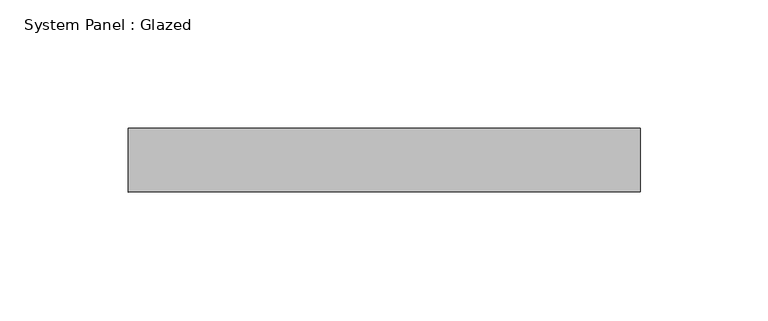
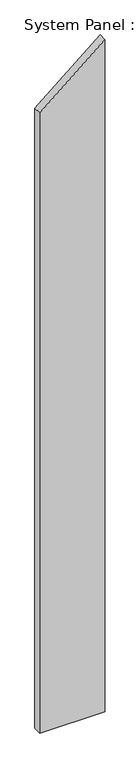
"""IFC4 building model written with IfcOpenShell, lengths in millimetres: plate geometry, System Panel : Glazed."""

from ifc_helpers import new_model, si_unit, frame, origin, place, context, project, spatial, polyline, outline, extrude, source, transform, mapped, element, save


def system_panel_glazed_15bd7ce5(model_context):
    return source(origin(), model_context, "Body", "SweptSolid", [
        extrude(outline(polyline([(0.0, -100.0), (0.0, 100.0), (2181.6590413, 100.0), (2013.8391151, -100.0), (0.0, -100.0)])), frame((0.0, 24.5, 0.0), z_axis=(0.0, 1.0, 0.0), x_axis=(0.0, 0.0, 1.0)), (0.0, 0.0, 1.0), 25.0),
    ])


if __name__ == "__main__":
    model = new_model("IFC4")
    model_context = context("Model", 3, world=origin())
    ifc_project = project(units=[si_unit("LENGTHUNIT", "METRE", prefix="MILLI")], contexts=[model_context])
    site = spatial("IfcSite", under=ifc_project)
    building = spatial("IfcBuilding", under=site)
    placement = place(None, origin())
    system_panel_glazed_shape = system_panel_glazed_15bd7ce5(model_context)
    element("IfcPlate", 1, ObjectType="System Panel : Glazed", at=placement, inside=building, context=model_context, shape_type="MappedRepresentation", body=[
        mapped(system_panel_glazed_shape, transform((0.0, 0.0, 0.0), x_axis=(1.0, 0.0, 0.0), y_axis=(0.0, 1.0, 0.0), z_axis=(0.0, 0.0, 1.0))),
    ])
    save(model, "model.ifc")
